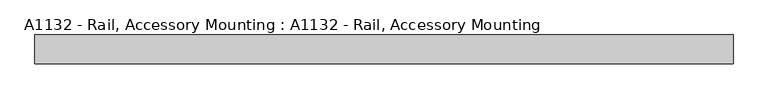
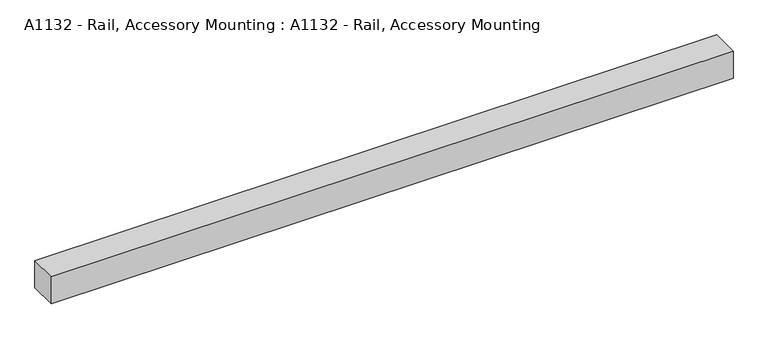
"""IFC4 building model written with IfcOpenShell, lengths in millimetres: proxy geometry, A1132 - Rail, Accessory Mounting : A1132 - Rail, Accessory Mounting."""

from ifc_helpers import new_model, si_unit, frame, origin, origin_with_axes, place, context, project, spatial, polyline, outline, extrude, source, transform, mapped, element, save


def a1132_rail_accessory_mounting_a1132_rail_accessory_mounting_a2e13202(model_context):
    return source(origin(), model_context, "Body", "SweptSolid", [
        extrude(outline(polyline([(609.6, -50.8), (-609.6, -50.8), (-609.6, 0.0), (609.6, 0.0), (609.6, -50.8)])), origin_with_axes(), (0.0, 0.0, 1.0), 50.8),
        extrude(outline(polyline([(-12.7, 25.4), (-12.7, 0.0), (-38.1, 0.0), (-38.1, 25.4), (-50.8, 25.4), (-50.8, 50.8), (0.0, 50.8), (0.0, 25.4), (-12.7, 25.4)])), frame((-609.6, 0.0, 0.0), z_axis=(1.0, 0.0, 0.0), x_axis=(0.0, 1.0, 0.0)), (0.0, 0.0, 1.0), 1219.2),
    ])


if __name__ == "__main__":
    model = new_model("IFC4")
    model_context = context("Model", 3, world=origin())
    ifc_project = project(units=[si_unit("LENGTHUNIT", "METRE", prefix="MILLI")], contexts=[model_context])
    site = spatial("IfcSite", under=ifc_project)
    building = spatial("IfcBuilding", under=site)
    placement = place(None, origin())
    a1132_rail_accessory_mounting_a1132_rail_accessory_mounting_shape = a1132_rail_accessory_mounting_a1132_rail_accessory_mounting_a2e13202(model_context)
    element("IfcBuildingElementProxy", 1, Name="A1132 - Rail, Accessory Mounting : A1132 - Rail, Accessory Mounting", ObjectType="A1132 - Rail, Accessory Mounting : A1132 - Rail, Accessory Mounting", at=placement, inside=building, context=model_context, shape_type="MappedRepresentation", body=[
        mapped(a1132_rail_accessory_mounting_a1132_rail_accessory_mounting_shape, transform((0.0, 0.0, 0.0), x_axis=(1.0, 0.0, 0.0), y_axis=(0.0, 1.0, 0.0), z_axis=(0.0, 0.0, 1.0))),
    ])
    save(model, "model.ifc")
